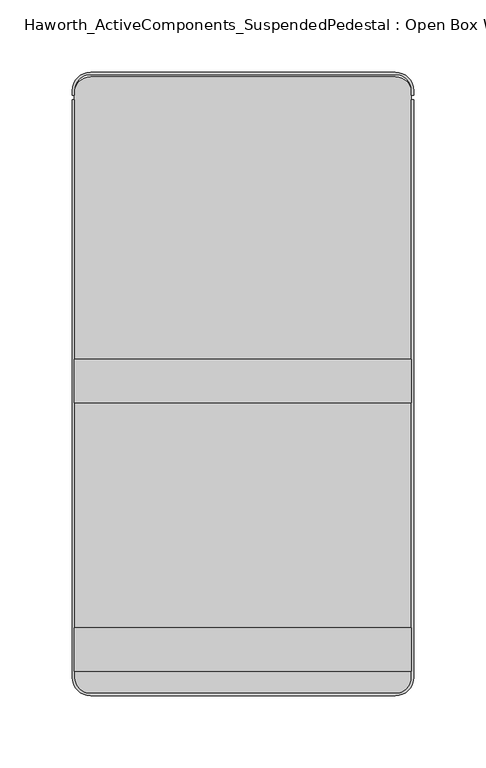
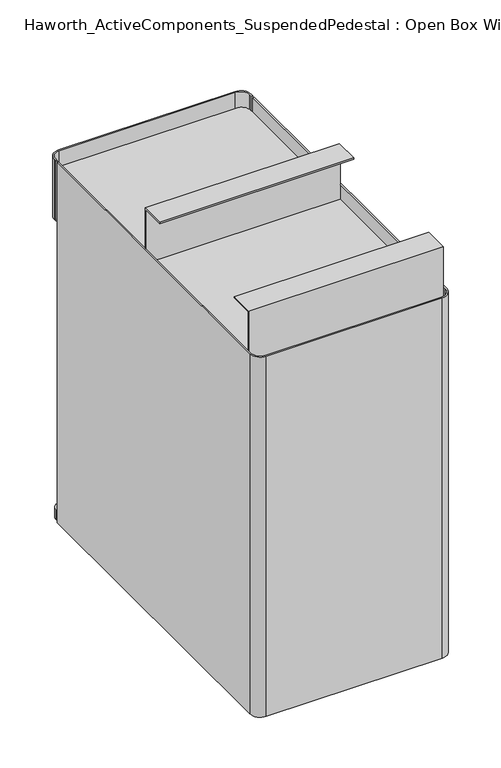
"""IFC4 building model written with IfcOpenShell, lengths in millimetres: furniture geometry, Haworth_ActiveComponents_SuspendedPedestal : Open Box With Storage."""

import ifcopenshell
import ifcopenshell.guid

model = None  # the IFC model being written
_history = None  # IfcOwnerHistory: only IFC2X3 demands one
_inside = {}  # id of a spatial element -> (the spatial element, [elements in it])
_under = {}  # id of a project, library or spatial element -> (it, [spatial elements below it])
_declared = {}  # id of a project -> (the project, [libraries it declares])
_typed = {}  # id of a type object -> (the type object, [elements of that type])
_made_of = {}  # id of a material, layer set ... -> (it, [elements and type objects made of it])


def new_model(schema):
    """Start an empty IFC model of exactly this schema.

    Asked for "IFC4X3", IfcOpenShell would pick the latest addendum, in which some entities
    have other attributes; the version numbers below select the first issue.
    IFC2X3 requires an IfcOwnerHistory on every rooted entity: one is made here for all.
    """
    global model, _history
    if schema == "IFC4X3":
        model = ifcopenshell.file(schema_version=(4, 3, 0, 0))
    else:
        model = ifcopenshell.file(schema=schema)
    _inside.clear()
    _under.clear()
    _declared.clear()
    _typed.clear()
    _made_of.clear()
    _history = None
    if model.schema == "IFC2X3":
        org = make("IfcOrganization", Name="unknown")
        user = make(
            "IfcPersonAndOrganization",
            ThePerson=make("IfcPerson", FamilyName="unknown"),
            TheOrganization=org,
        )
        app = make(
            "IfcApplication",
            ApplicationDeveloper=org,
            Version="unknown",
            ApplicationFullName="unknown",
            ApplicationIdentifier="unknown",
        )
        _history = make(
            "IfcOwnerHistory",
            OwningUser=user,
            OwningApplication=app,
            ChangeAction="ADDED",
            CreationDate=0,
        )
    return model


def make(cls, **values):
    """One entity of the class cls with the attributes given. An attribute that is None is left unset."""
    return model.create_entity(
        cls, **{name: value for name, value in values.items() if value is not None}
    )


def rooted(cls, **values):
    """An entity with a GlobalId (a new one), such as an element, a storey or a relation."""
    return make(cls, GlobalId=ifcopenshell.guid.new(), OwnerHistory=_history, **values)


def si_unit(unit_type, name, prefix=None):
    """IfcSIUnit, for example si_unit("LENGTHUNIT", "METRE", prefix="MILLI")."""
    return make("IfcSIUnit", UnitType=unit_type, Prefix=prefix, Name=name)


def assignment(units):
    """IfcUnitAssignment: the units of a project."""
    return None if units is None else make("IfcUnitAssignment", Units=units)


def point(xyz):
    """IfcCartesianPoint."""
    return None if xyz is None else make("IfcCartesianPoint", Coordinates=xyz)


def direction(xyz):
    """IfcDirection."""
    return None if xyz is None else make("IfcDirection", DirectionRatios=xyz)


def frame(location, z_axis=None, x_axis=None):
    """IfcAxis2Placement3D, a coordinate frame: its origin and axes. An axis left out is left unset."""
    return make(
        "IfcAxis2Placement3D",
        Location=point(location),
        Axis=direction(z_axis),
        RefDirection=direction(x_axis),
    )


def frame_2d(location, x_axis=None):
    """IfcAxis2Placement2D, a coordinate frame in the plane: its origin and x axis."""
    return make(
        "IfcAxis2Placement2D", Location=point(location), RefDirection=direction(x_axis)
    )


def origin():
    """The frame at (0, 0, 0) with its axes left unset."""
    return frame((0.0, 0.0, 0.0))


def place(relative_to, where):
    """IfcLocalPlacement: puts the frame where relative to a parent placement (None: the world)."""
    return make(
        "IfcLocalPlacement", PlacementRelTo=relative_to, RelativePlacement=where
    )


def context(
    kind, dimensions, precision=None, world=None, true_north=None, identifier=None
):
    """IfcGeometricRepresentationContext, for example the 3D "Model" context."""
    return make(
        "IfcGeometricRepresentationContext",
        ContextIdentifier=identifier,
        ContextType=kind,
        CoordinateSpaceDimension=dimensions,
        Precision=precision,
        WorldCoordinateSystem=world,
        TrueNorth=true_north,
    )


def project(units=None, contexts=None):
    """IfcProject with its units and contexts."""
    return rooted(
        "IfcProject",
        Name="project",
        RepresentationContexts=contexts,
        UnitsInContext=assignment(units),
    )


def spatial(cls, under=None, at=None, **own):
    """A site, building, storey or space (cls), placed at a placement, below another one or the project."""
    s = rooted(cls, ObjectPlacement=at, **own)
    if under is not None:
        _under.setdefault(under.id(), (under, []))[1].append(s)
    return s


def polyline(points):
    """IfcPolyline through the points."""
    return make("IfcPolyline", Points=[point(p) for p in points])


def circle_curve(where, radius):
    """IfcCircle in the frame where."""
    return make("IfcCircle", Position=where, Radius=radius)


def trimmed(basis, trim1, trim2, sense, master):
    """IfcTrimmedCurve: the piece of a basis curve between two trims."""
    return make(
        "IfcTrimmedCurve",
        BasisCurve=basis,
        Trim1=trim1,
        Trim2=trim2,
        SenseAgreement=sense,
        MasterRepresentation=master,
    )


def segment(curve, same_sense, transition):
    """IfcCompositeCurveSegment."""
    return make(
        "IfcCompositeCurveSegment",
        Transition=transition,
        SameSense=same_sense,
        ParentCurve=curve,
    )


def composite_curve(segments, self_intersect=None):
    """IfcCompositeCurve: segments joined end to end."""
    return make("IfcCompositeCurve", Segments=segments, SelfIntersect=self_intersect)


def outline(outer, holes=None, kind="AREA"):
    """IfcArbitraryClosedProfileDef: a profile drawn as a closed curve; with holes, ...WithVoids."""
    if holes is None:
        return make("IfcArbitraryClosedProfileDef", ProfileType=kind, OuterCurve=outer)
    return make(
        "IfcArbitraryProfileDefWithVoids",
        ProfileType=kind,
        OuterCurve=outer,
        InnerCurves=holes,
    )


def extrude(swept, where, along, depth):
    """IfcExtrudedAreaSolid: the profile swept, set in the frame where, extruded along a direction by depth."""
    return make(
        "IfcExtrudedAreaSolid",
        SweptArea=swept,
        Position=where,
        ExtrudedDirection=direction(along),
        Depth=depth,
    )


def shape(context_of_items, identifier, shape_type, items):
    """IfcShapeRepresentation: the items that make up one representation, for example the "Body"."""
    return make(
        "IfcShapeRepresentation",
        ContextOfItems=context_of_items,
        RepresentationIdentifier=identifier,
        RepresentationType=shape_type,
        Items=items,
    )


def source(mapping_origin, context_of_items, identifier, shape_type, items):
    """IfcRepresentationMap: a shape defined once, which mapped items show again and again."""
    return make(
        "IfcRepresentationMap",
        MappingOrigin=mapping_origin,
        MappedRepresentation=shape(context_of_items, identifier, shape_type, items),
    )


def transform(
    local_origin,
    x_axis=None,
    y_axis=None,
    z_axis=None,
    scale=None,
    scale2=None,
    scale3=None,
    uniform=True,
):
    """IfcCartesianTransformationOperator3D, or its non-uniform kind. x_axis, y_axis, z_axis: its Axis1, 2, 3."""
    if uniform:
        return make(
            "IfcCartesianTransformationOperator3D",
            Axis1=direction(x_axis),
            Axis2=direction(y_axis),
            LocalOrigin=point(local_origin),
            Scale=scale,
            Axis3=direction(z_axis),
        )
    return make(
        "IfcCartesianTransformationOperator3DnonUniform",
        Axis1=direction(x_axis),
        Axis2=direction(y_axis),
        LocalOrigin=point(local_origin),
        Scale=scale,
        Axis3=direction(z_axis),
        Scale2=scale2,
        Scale3=scale3,
    )


def mapped(mapping_source, mapping_target):
    """IfcMappedItem: shows the shape of a source again, moved by a transform."""
    return make(
        "IfcMappedItem", MappingSource=mapping_source, MappingTarget=mapping_target
    )


def made_of(thing, what):
    """Note that an element or type object is made of a material, layer set ...; save() writes the relation."""
    if what is not None:
        _made_of.setdefault(what.id(), (what, []))[1].append(thing)
    return thing


def element(
    cls,
    number,
    at=None,
    inside=None,
    cuts=None,
    type_object=None,
    material=None,
    context=None,
    identifier="Body",
    shape_type=None,
    held_by="IfcProductDefinitionShape",
    body=None,
    shapes=None,
    **own,
):
    """One element of the class cls, such as IfcWall. Its Tag is "e" and its number.

    at: its placement. inside: the storey or other place that contains it. cuts: it is an
    opening in that element (IfcRelVoidsElement). A single representation is given by context,
    identifier, shape_type and body (its items); several are given by shapes. held_by: the class
    of the entity that holds the representations. save() writes the other relations.
    """
    e = rooted(cls, Tag="e%d" % number, ObjectPlacement=at, **own)
    if body is not None:
        shapes = [shape(context, identifier, shape_type, body)]
    if shapes is not None:
        e.Representation = make(held_by, Representations=shapes)
    if inside is not None:
        _inside.setdefault(inside.id(), (inside, []))[1].append(e)
    if cuts is not None:
        rooted(
            "IfcRelVoidsElement", RelatingBuildingElement=cuts, RelatedOpeningElement=e
        )
    if type_object is not None:
        _typed.setdefault(type_object.id(), (type_object, []))[1].append(e)
    return made_of(e, material)


def aggregate(whole, parts):
    """IfcRelAggregates: a whole, such as a stair, and the parts it consists of."""
    return rooted("IfcRelAggregates", RelatingObject=whole, RelatedObjects=parts)


def save(model, path):
    """Write the relations noted so far, then the file.

    IfcRelAggregates (storeys below a building ...), IfcRelContainedInSpatialStructure (elements
    in a storey), IfcRelDefinesByType, IfcRelAssociatesMaterial and IfcRelDeclares: one each for
    every whole, place, type object, material and project.
    """
    for whole, parts in _under.values():
        aggregate(whole, parts)
    for where, things in _inside.values():
        rooted(
            "IfcRelContainedInSpatialStructure",
            RelatedElements=things,
            RelatingStructure=where,
        )
    for kind, things in _typed.values():
        rooted("IfcRelDefinesByType", RelatedObjects=things, RelatingType=kind)
    for what, things in _made_of.values():
        rooted("IfcRelAssociatesMaterial", RelatedObjects=things, RelatingMaterial=what)
    for by, libraries in _declared.values():
        rooted("IfcRelDeclares", RelatingContext=by, RelatedDefinitions=libraries)
    model.write(path)


def haworth_activecomponents_suspendedpedestal_open_box_with_5b3cf7ab(model_context):
    return source(origin(), model_context, "Body", "SweptSolid", [
        extrude(outline(composite_curve([segment(polyline([(105.56875, 46.0375), (-105.56875, 46.0375)]), True, "CONTINUOUS"), segment(trimmed(circle_curve(frame_2d((-105.56875, 57.15)), 11.1125), [point((-105.56875, 46.0375))], [point((-116.68125, 57.15))], False, "CARTESIAN"), True, "CONTINUOUS"), segment(polyline([(-116.68125, 57.15), (-116.68125, 461.9625)]), True, "CONTINUOUS"), segment(trimmed(circle_curve(frame_2d((-105.56875, 461.9625)), 11.1125), [point((-116.68125, 461.9625))], [point((-105.56875, 473.075))], False, "CARTESIAN"), True, "CONTINUOUS"), segment(polyline([(-105.56875, 473.075), (105.56875, 473.075)]), True, "CONTINUOUS"), segment(trimmed(circle_curve(frame_2d((105.56875, 461.9625)), 11.1125), [point((105.56875, 473.075))], [point((116.68125, 461.9625))], False, "CARTESIAN"), True, "CONTINUOUS"), segment(polyline([(116.68125, 461.9625), (116.68125, 57.15)]), True, "CONTINUOUS"), segment(trimmed(circle_curve(frame_2d((105.56875, 57.15)), 11.1125), [point((116.68125, 57.15))], [point((105.56875, 46.0375))], False, "CARTESIAN"), True, "CONTINUOUS")], self_intersect=False)), frame((0.0, 0.0, 633.4124758), z_axis=(0.0, 0.0, 1.0), x_axis=(1.0, 0.0, 0.0)), (0.0, 0.0, 1.0), 1.5875),
        extrude(outline(composite_curve([segment(polyline([(105.56875, 46.0375), (-105.56875, 46.0375)]), True, "CONTINUOUS"), segment(trimmed(circle_curve(frame_2d((-105.56875, 57.15)), 11.1125), [point((-105.56875, 46.0375))], [point((-116.68125, 57.15))], False, "CARTESIAN"), True, "CONTINUOUS"), segment(polyline([(-116.68125, 57.15), (-116.68125, 461.9625)]), True, "CONTINUOUS"), segment(trimmed(circle_curve(frame_2d((-105.56875, 461.9625)), 11.1125), [point((-116.68125, 461.9625))], [point((-105.56875, 473.075))], False, "CARTESIAN"), True, "CONTINUOUS"), segment(polyline([(-105.56875, 473.075), (105.56875, 473.075)]), True, "CONTINUOUS"), segment(trimmed(circle_curve(frame_2d((105.56875, 461.9625)), 11.1125), [point((105.56875, 473.075))], [point((116.68125, 461.9625))], False, "CARTESIAN"), True, "CONTINUOUS"), segment(polyline([(116.68125, 461.9625), (116.68125, 57.15)]), True, "CONTINUOUS"), segment(trimmed(circle_curve(frame_2d((105.56875, 57.15)), 11.1125), [point((116.68125, 57.15))], [point((105.56875, 46.0375))], False, "CARTESIAN"), True, "CONTINUOUS")], self_intersect=False)), frame((0.0, 0.0, 577.85), z_axis=(0.0, 0.0, 1.0), x_axis=(1.0, 0.0, 0.0)), (0.0, 0.0, 1.0), 1.5875),
        extrude(outline(polyline([(277.3171814, 634.9999758), (275.7296814, 634.9999758), (275.7296814, 703.2625), (247.1546814, 703.2625), (247.1546814, 704.85), (277.3171814, 704.85), (277.3171814, 634.9999758)])), frame((-116.68125, 0.0, 0.0), z_axis=(1.0, 0.0, 0.0), x_axis=(0.0, 1.0, 0.0)), (0.0, 0.0, 1.0), 233.3625),
        extrude(outline(polyline([(61.4172056, 634.9999758), (61.4172056, 704.85), (91.5797056, 704.85), (91.5797056, 703.2625), (63.0047056, 703.2625), (63.0047056, 634.9999758), (61.4172056, 634.9999758)])), frame((-116.68125, 0.0, 0.0), z_axis=(1.0, 0.0, 0.0), x_axis=(0.0, 1.0, 0.0)), (0.0, 0.0, 1.0), 233.3625),
        extrude(outline(composite_curve([segment(trimmed(circle_curve(frame_2d((-105.56875, 463.55)), 12.7), [point((-118.26875, 463.55))], [point((-105.56875, 476.25))], False, "CARTESIAN"), True, "CONTINUOUS"), segment(polyline([(-105.56875, 476.25), (105.56875, 476.25)]), True, "CONTINUOUS"), segment(trimmed(circle_curve(frame_2d((105.56875, 463.55)), 12.7), [point((105.56875, 476.25))], [point((118.26875, 463.55))], False, "CARTESIAN"), True, "CONTINUOUS"), segment(polyline([(118.26875, 463.55), (118.26875, 460.375), (116.68125, 460.375), (116.68125, 463.55)]), True, "CONTINUOUS"), segment(trimmed(circle_curve(frame_2d((105.56875, 463.55)), 11.1125), [point((116.68125, 463.55))], [point((105.56875, 474.6625))], True, "CARTESIAN"), True, "CONTINUOUS"), segment(polyline([(105.56875, 474.6625), (-105.56875, 474.6625)]), True, "CONTINUOUS"), segment(trimmed(circle_curve(frame_2d((-105.56875, 463.55)), 11.1125), [point((-105.56875, 474.6625))], [point((-116.68125, 463.55))], True, "CARTESIAN"), True, "CONTINUOUS"), segment(polyline([(-116.68125, 463.55), (-116.68125, 460.375), (-118.26875, 460.375), (-118.26875, 463.55)]), True, "CONTINUOUS")], self_intersect=False)), frame((0.0, 0.0, 577.85), z_axis=(0.0, 0.0, 1.0), x_axis=(1.0, 0.0, 0.0)), (0.0, 0.0, 1.0), 76.2),
        extrude(outline(composite_curve([segment(polyline([(105.56875, 46.0375), (-105.56875, 46.0375)]), True, "CONTINUOUS"), segment(trimmed(circle_curve(frame_2d((-105.56875, 57.15)), 11.1125), [point((-105.56875, 46.0375))], [point((-116.68125, 57.15))], False, "CARTESIAN"), True, "CONTINUOUS"), segment(polyline([(-116.68125, 57.15), (-116.68125, 461.9625)]), True, "CONTINUOUS"), segment(trimmed(circle_curve(frame_2d((-105.56875, 461.9625)), 11.1125), [point((-116.68125, 461.9625))], [point((-105.56875, 473.075))], False, "CARTESIAN"), True, "CONTINUOUS"), segment(polyline([(-105.56875, 473.075), (105.56875, 473.075)]), True, "CONTINUOUS"), segment(trimmed(circle_curve(frame_2d((105.56875, 461.9625)), 11.1125), [point((105.56875, 473.075))], [point((116.68125, 461.9625))], False, "CARTESIAN"), True, "CONTINUOUS"), segment(polyline([(116.68125, 461.9625), (116.68125, 57.15)]), True, "CONTINUOUS"), segment(trimmed(circle_curve(frame_2d((105.56875, 57.15)), 11.1125), [point((116.68125, 57.15))], [point((105.56875, 46.0375))], False, "CARTESIAN"), True, "CONTINUOUS")], self_intersect=False)), frame((0.0, 0.0, 196.85), z_axis=(0.0, 0.0, 1.0), x_axis=(1.0, 0.0, 0.0)), (0.0, 0.0, 1.0), 12.7),
        extrude(outline(composite_curve([segment(polyline([(-118.26875, 57.15), (-118.26875, 457.2), (-116.68125, 457.2), (-116.68125, 57.15)]), True, "CONTINUOUS"), segment(trimmed(circle_curve(frame_2d((-105.56875, 57.15)), 11.1125), [point((-116.68125, 57.15))], [point((-105.56875, 46.0375))], True, "CARTESIAN"), True, "CONTINUOUS"), segment(polyline([(-105.56875, 46.0375), (105.56875, 46.0375)]), True, "CONTINUOUS"), segment(trimmed(circle_curve(frame_2d((105.56875, 57.15)), 11.1125), [point((105.56875, 46.0375))], [point((116.68125, 57.15))], True, "CARTESIAN"), True, "CONTINUOUS"), segment(polyline([(116.68125, 57.15), (116.68125, 457.2), (118.26875, 457.2), (118.26875, 57.15)]), True, "CONTINUOUS"), segment(trimmed(circle_curve(frame_2d((105.56875, 57.15)), 12.7), [point((118.26875, 57.15))], [point((105.56875, 44.45))], False, "CARTESIAN"), True, "CONTINUOUS"), segment(polyline([(105.56875, 44.45), (-105.56875, 44.45)]), True, "CONTINUOUS"), segment(trimmed(circle_curve(frame_2d((-105.56875, 57.15)), 12.7), [point((-105.56875, 44.45))], [point((-118.26875, 57.15))], False, "CARTESIAN"), True, "CONTINUOUS")], self_intersect=False)), frame((0.0, 0.0, 196.85), z_axis=(0.0, 0.0, 1.0), x_axis=(1.0, 0.0, 0.0)), (0.0, 0.0, 1.0), 457.2),
    ])


if __name__ == "__main__":
    model = new_model("IFC4")
    model_context = context("Model", 3, world=origin())
    ifc_project = project(units=[si_unit("LENGTHUNIT", "METRE", prefix="MILLI")], contexts=[model_context])
    site = spatial("IfcSite", under=ifc_project)
    building = spatial("IfcBuilding", under=site)
    placement = place(None, origin())
    haworth_activecomponents_suspendedpedestal_open_box_with_shape = haworth_activecomponents_suspendedpedestal_open_box_with_5b3cf7ab(model_context)
    element("IfcFurniture", 1, ObjectType="Haworth_ActiveComponents_SuspendedPedestal : Open Box With Storage", at=placement, inside=building, context=model_context, shape_type="MappedRepresentation", body=[
        mapped(haworth_activecomponents_suspendedpedestal_open_box_with_shape, transform((0.0, 0.0, 0.0), x_axis=(1.0, 0.0, 0.0), y_axis=(0.0, 1.0, 0.0), z_axis=(0.0, 0.0, 1.0))),
    ])
    save(model, "model.ifc")
